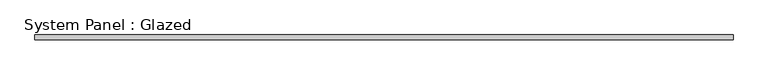
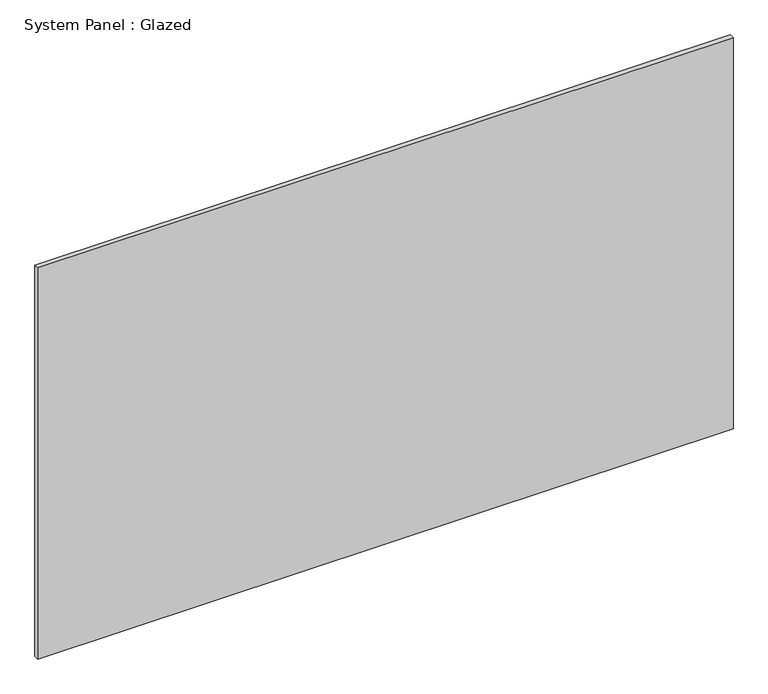
"""IFC4 building model written with IfcOpenShell, lengths in millimetres: plate geometry, System Panel : Glazed."""

from ifc_helpers import new_model, si_unit, origin, origin_with_axes, place, context, project, spatial, polyline, outline, extrude, source, transform, mapped, element, save


def system_panel_glazed_d8b398f0(model_context):
    return source(origin(), model_context, "Body", "SweptSolid", [
        extrude(outline(polyline([(1850.0, 19.05), (-1850.0, 19.05), (-1850.0, 44.45), (1850.0, 44.45), (1850.0, 19.05)])), origin_with_axes(), (0.0, 0.0, 1.0), 2200.0),
    ])


if __name__ == "__main__":
    model = new_model("IFC4")
    model_context = context("Model", 3, world=origin())
    ifc_project = project(units=[si_unit("LENGTHUNIT", "METRE", prefix="MILLI")], contexts=[model_context])
    site = spatial("IfcSite", under=ifc_project)
    building = spatial("IfcBuilding", under=site)
    placement = place(None, origin())
    system_panel_glazed_shape = system_panel_glazed_d8b398f0(model_context)
    element("IfcPlate", 1, ObjectType="System Panel : Glazed", at=placement, inside=building, context=model_context, shape_type="MappedRepresentation", body=[
        mapped(system_panel_glazed_shape, transform((0.0, 0.0, 0.0), x_axis=(1.0, 0.0, 0.0), y_axis=(0.0, 1.0, 0.0), z_axis=(0.0, 0.0, 1.0))),
    ])
    save(model, "model.ifc")
